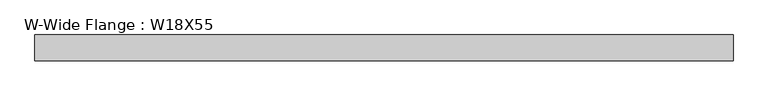
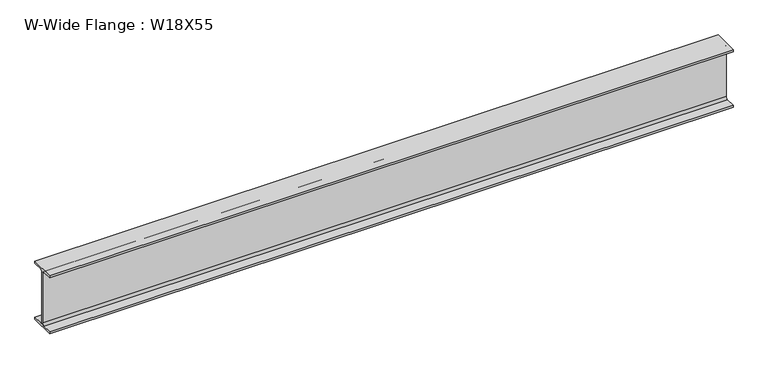
"""IFC4 building model written with IfcOpenShell, lengths in millimetres: beam geometry, W-Wide Flange : W18X55."""

from ifc_helpers import new_model, si_unit, point, frame, frame_2d, origin, place, context, project, spatial, polyline, circle_curve, trimmed, segment, composite_curve, outline, extrude, source, transform, mapped, element, save


def w_wide_flange_w18x55_4853a026(model_context):
    return source(origin(), model_context, "Body", "SweptSolid", [
        extrude(outline(composite_curve([segment(polyline([(95.631, -213.868), (95.631, -229.87), (-95.631, -229.87), (-95.631, -213.868), (-22.2885, -213.868)]), True, "CONTINUOUS"), segment(trimmed(circle_curve(frame_2d((-22.2885, -196.5325)), 17.3355), [point((-22.2885, -213.868))], [point((-4.953, -196.5325))], True, "CARTESIAN"), True, "CONTINUOUS"), segment(polyline([(-4.953, -196.5325), (-4.953, 196.5325)]), True, "CONTINUOUS"), segment(trimmed(circle_curve(frame_2d((-22.2885, 196.5325)), 17.3355), [point((-4.953, 196.5325))], [point((-22.2885, 213.868))], True, "CARTESIAN"), True, "CONTINUOUS"), segment(polyline([(-22.2885, 213.868), (-95.631, 213.868), (-95.631, 229.87), (95.631, 229.87), (95.631, 213.868), (22.2885, 213.868)]), True, "CONTINUOUS"), segment(trimmed(circle_curve(frame_2d((22.2885, 196.5325)), 17.3355), [point((22.2885, 213.868))], [point((4.953, 196.5325))], True, "CARTESIAN"), True, "CONTINUOUS"), segment(polyline([(4.953, 196.5325), (4.953, -196.5325)]), True, "CONTINUOUS"), segment(trimmed(circle_curve(frame_2d((22.2885, -196.5325)), 17.3355), [point((4.953, -196.5325))], [point((22.2885, -213.868))], True, "CARTESIAN"), True, "CONTINUOUS"), segment(polyline([(22.2885, -213.868), (95.631, -213.868)]), True, "CONTINUOUS")], self_intersect=False)), frame((-2565.4, 0.0, 0.0), z_axis=(1.0, 0.0, 0.0), x_axis=(0.0, 1.0, 0.0)), (0.0, 0.0, 1.0), 5130.8),
    ])


if __name__ == "__main__":
    model = new_model("IFC4")
    model_context = context("Model", 3, world=origin())
    ifc_project = project(units=[si_unit("LENGTHUNIT", "METRE", prefix="MILLI")], contexts=[model_context])
    site = spatial("IfcSite", under=ifc_project)
    building = spatial("IfcBuilding", under=site)
    placement = place(None, origin())
    w_wide_flange_w18x55_shape = w_wide_flange_w18x55_4853a026(model_context)
    element("IfcBeam", 1, ObjectType="W-Wide Flange : W18X55", at=placement, inside=building, context=model_context, shape_type="MappedRepresentation", body=[
        mapped(w_wide_flange_w18x55_shape, transform((0.0, 0.0, 0.0), x_axis=(1.0, 0.0, 0.0), y_axis=(0.0, 1.0, 0.0), z_axis=(0.0, 0.0, 1.0))),
    ])
    save(model, "model.ifc")
